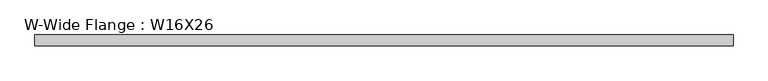
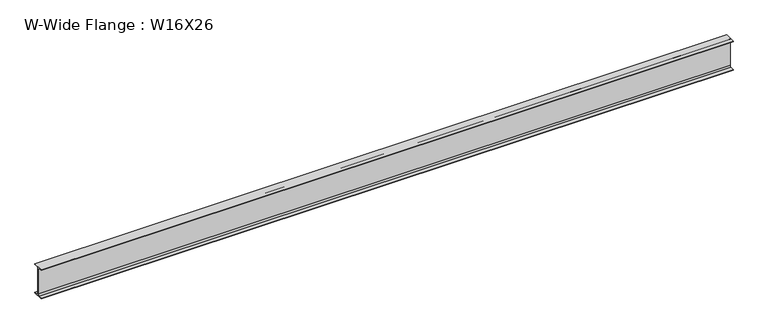
"""IFC4 building model written with IfcOpenShell, lengths in millimetres: beam geometry, W-Wide Flange : W16X26."""

from ifc_helpers import new_model, si_unit, point, frame, frame_2d, origin, place, context, project, spatial, polyline, circle_curve, trimmed, segment, composite_curve, outline, extrude, source, transform, mapped, element, save


def w_wide_flange_w16x26_c7f7698c(model_context):
    return source(origin(), model_context, "Body", "SweptSolid", [
        extrude(outline(composite_curve([segment(polyline([(69.85, -190.5496094), (69.85, -199.2808594), (-69.85, -199.2808594), (-69.85, -190.5496094), (-21.43125, -190.5496094)]), True, "CONTINUOUS"), segment(trimmed(circle_curve(frame_2d((-21.43125, -172.2933594)), 18.25625), [point((-21.43125, -190.5496094))], [point((-3.175, -172.2933594))], True, "CARTESIAN"), True, "CONTINUOUS"), segment(polyline([(-3.175, -172.2933594), (-3.175, 172.2933594)]), True, "CONTINUOUS"), segment(trimmed(circle_curve(frame_2d((-21.43125, 172.2933594)), 18.25625), [point((-3.175, 172.2933594))], [point((-21.43125, 190.5496094))], True, "CARTESIAN"), True, "CONTINUOUS"), segment(polyline([(-21.43125, 190.5496094), (-69.85, 190.5496094), (-69.85, 199.2808594), (69.85, 199.2808594), (69.85, 190.5496094), (21.43125, 190.5496094)]), True, "CONTINUOUS"), segment(trimmed(circle_curve(frame_2d((21.43125, 172.2933594)), 18.25625), [point((21.43125, 190.5496094))], [point((3.175, 172.2933594))], True, "CARTESIAN"), True, "CONTINUOUS"), segment(polyline([(3.175, 172.2933594), (3.175, -172.2933594)]), True, "CONTINUOUS"), segment(trimmed(circle_curve(frame_2d((21.43125, -172.2933594)), 18.25625), [point((3.175, -172.2933594))], [point((21.43125, -190.5496094))], True, "CARTESIAN"), True, "CONTINUOUS"), segment(polyline([(21.43125, -190.5496094), (69.85, -190.5496094)]), True, "CONTINUOUS")], self_intersect=False)), frame((-4476.353125, 0.0, 0.0), z_axis=(1.0, 0.0, 0.0), x_axis=(0.0, 1.0, 0.0)), (0.0, 0.0, 1.0), 8952.70625),
    ])


if __name__ == "__main__":
    model = new_model("IFC4")
    model_context = context("Model", 3, world=origin())
    ifc_project = project(units=[si_unit("LENGTHUNIT", "METRE", prefix="MILLI")], contexts=[model_context])
    site = spatial("IfcSite", under=ifc_project)
    building = spatial("IfcBuilding", under=site)
    placement = place(None, origin())
    w_wide_flange_w16x26_shape = w_wide_flange_w16x26_c7f7698c(model_context)
    element("IfcBeam", 1, ObjectType="W-Wide Flange : W16X26", at=placement, inside=building, context=model_context, shape_type="MappedRepresentation", body=[
        mapped(w_wide_flange_w16x26_shape, transform((0.0, 0.0, 0.0), x_axis=(1.0, 0.0, 0.0), y_axis=(0.0, 1.0, 0.0), z_axis=(0.0, 0.0, 1.0))),
    ])
    save(model, "model.ifc")
